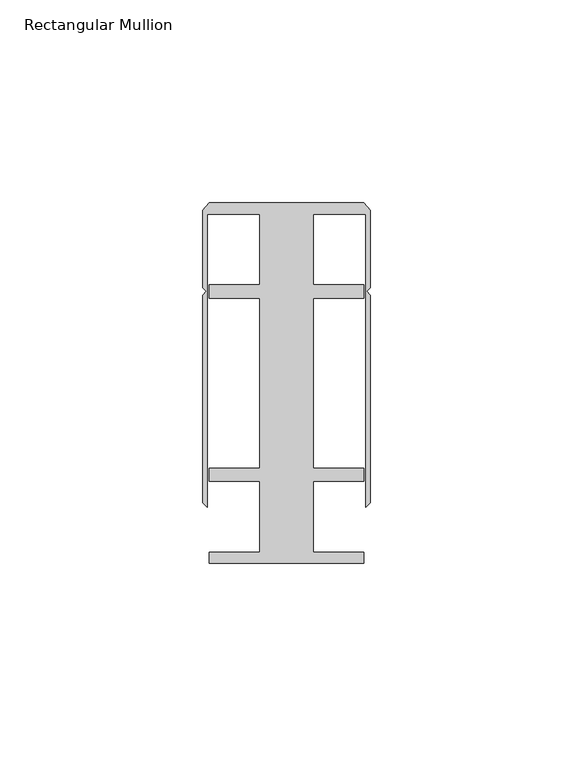
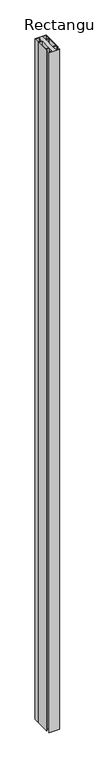
"""IFC4 building model written with IfcOpenShell, lengths in millimetres: member geometry, Rectangular Mullion."""

from ifc_helpers import new_model, si_unit, frame, origin, place, context, project, spatial, polyline, outline, extrude, source, transform, mapped, element, save


def rectangular_mullion_26603ebf(model_context):
    return source(origin(), model_context, "Body", "SweptSolid", [
        extrude(outline(polyline([(6.6000002, 41.6500013), (6.6000002, 24.2500008), (19.05, 24.2500008), (19.05, 20.9500007), (6.6000002, 20.9500007), (6.6000002, -20.9500007), (19.05, -20.9500007), (19.05, -24.2500008), (6.6000002, -24.2500008), (6.6000002, -41.6500013), (19.05, -41.6500013), (19.05, -44.45), (-19.05, -44.45), (-19.05, -41.6500013), (-6.6000002, -41.6500013), (-6.6000002, -24.2500008), (-19.05, -24.2500008), (-19.05, -20.9500007), (-6.6000002, -20.9500007), (-6.6000002, 20.9500007), (-19.05, 20.9500007), (-19.05, 24.2500008), (-6.6000002, 24.2500008), (-6.6000002, 41.6500013), (-19.4924102, 41.6500013), (-19.4924102, -30.6159585), (-20.6375, -29.4708687), (-20.6375, 21.7153948), (-19.7291674, 22.6237274), (-20.6375, 23.53206), (-20.6375, 42.5778955), (-19.05, 44.45), (19.05, 44.45), (20.6375, 42.5778955), (20.6375, 23.53206), (19.7291674, 22.6237274), (20.6375, 21.7153948), (20.6375, -29.4708687), (19.4924102, -30.6159585), (19.4924102, 41.6500013), (6.6000002, 41.6500013)])), frame((0.0, 0.0, -2613.025), z_axis=(0.0, 0.0, 1.0), x_axis=(1.0, 0.0, 0.0)), (0.0, 0.0, 1.0), 2613.025),
    ])


if __name__ == "__main__":
    model = new_model("IFC4")
    model_context = context("Model", 3, world=origin())
    ifc_project = project(units=[si_unit("LENGTHUNIT", "METRE", prefix="MILLI")], contexts=[model_context])
    site = spatial("IfcSite", under=ifc_project)
    building = spatial("IfcBuilding", under=site)
    placement = place(None, origin())
    rectangular_mullion_shape = rectangular_mullion_26603ebf(model_context)
    element("IfcMember", 1, ObjectType="Rectangular Mullion", at=placement, inside=building, context=model_context, shape_type="MappedRepresentation", body=[
        mapped(rectangular_mullion_shape, transform((0.0, 0.0, 0.0), x_axis=(1.0, 0.0, 0.0), y_axis=(0.0, 1.0, 0.0), z_axis=(0.0, 0.0, 1.0))),
    ])
    save(model, "model.ifc")
